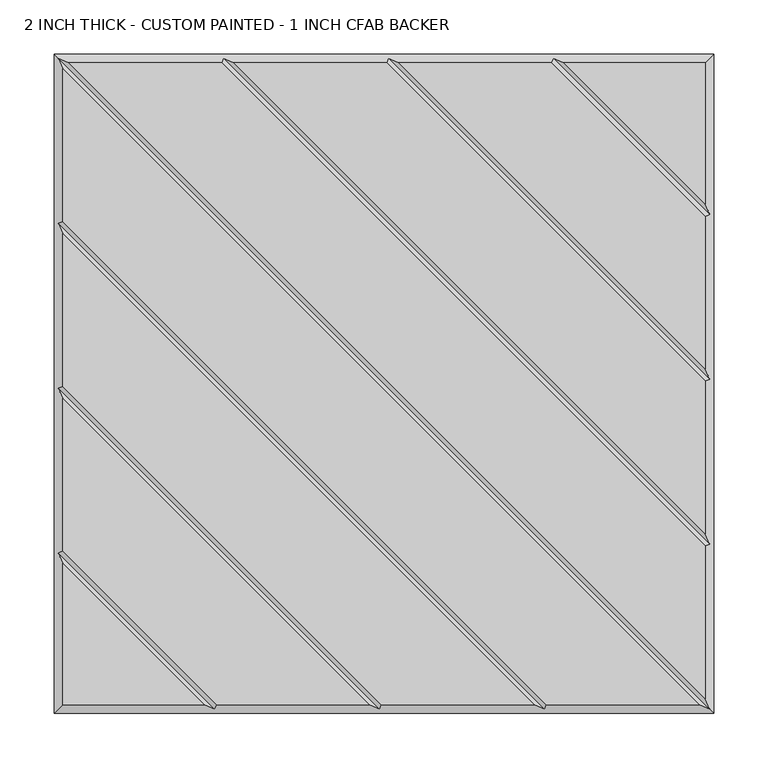
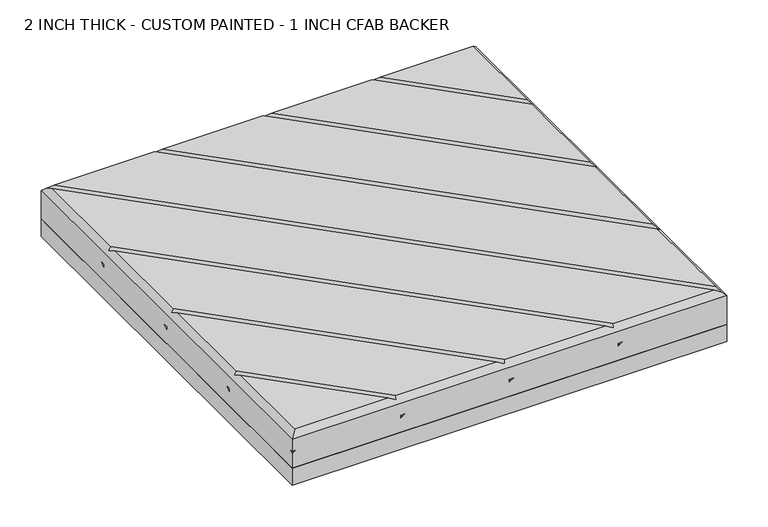
"""IFC4 building model written with IfcOpenShell, lengths in millimetres: proxy geometry, 2 INCH THICK - CUSTOM PAINTED - 1 INCH CFAB BACKER."""

from ifc_helpers import new_model, si_unit, frame, origin, place, context, project, spatial, polyline, outline, extrude, faceted_brep, source, transform, mapped, element, save


def proxy_2_inch_thick_custom_painted_1_inch_cfab_backer_51a6675a(model_context):
    return source(origin(), model_context, "Body", "SolidModel", [
        extrude(outline(polyline([(-304.8, 304.8), (304.8, 304.8), (304.8, -304.8), (-304.8, -304.8), (-304.8, 304.8)])), frame((0.0, 0.0, -25.4), z_axis=(0.0, 0.0, 1.0), x_axis=(1.0, 0.0, 0.0)), (0.0, 0.0, 1.0), 25.4),
        faceted_brep([(296.799, 154.7434623, 50.8), (154.743415, 296.799, 50.8), (13.6585378, 296.799, 50.8), (296.799, 13.658585, 50.8), (296.799, 2.3434632, 50.8), (2.3434141, 296.799, 50.8), (-138.7414628, 296.799, 50.8), (296.799, -138.7414144, 50.8), (296.799, -150.0565365, 50.8), (-150.0565862, 296.799, 50.8), (-291.1414386, 296.799, 50.8), (296.799, -291.1414386, 50.8), (291.1414386, -296.799, 50.8), (-296.799, 291.1414386, 50.8), (-296.799, 150.0565868, 50.8), (150.0565868, -296.799, 50.8), (138.741464, -296.799, 50.8), (-296.799, 138.741464, 50.8), (-296.799, -2.3434137, 50.8), (-2.3434382, -296.799, 50.8), (-13.6585605, -296.799, 50.8), (-296.799, -13.6585369, 50.8), (-296.799, -154.7434305, 50.8), (-154.743904, -296.799, 50.8), (296.799, 296.799, 50.8), (166.0585396, 296.799, 50.8), (296.799, 166.0585831, 50.8), (-296.799, -166.0585721, 50.8), (-296.799, -296.799, 50.8), (-166.0590079, -296.799, 50.8), (-304.8, 304.8, 0.0), (304.8, 304.8, 0.0), (304.8, -304.8, 0.0), (-304.8, -304.8, 0.0), (-304.8, -304.8, 21.3995359), (-304.8, -299.1424894, 25.4), (-304.8, -304.8, 25.4), (-304.8, -304.8, 42.799), (-304.8, 304.8, 42.799), (-304.8, -152.3999238, 21.3996078), (-304.8, -146.7425148, 25.4), (-304.8, -152.3999238, 25.4), (-304.8, 7.62e-05, 21.3996078), (-304.8, 5.6574852, 25.4), (-304.8, 7.62e-05, 25.4), (-304.8, 152.4000762, 21.3996078), (-304.8, 158.0574852, 25.4), (-304.8, 152.4000762, 25.4), (304.8, -304.8, 42.799), (-299.1423878, -304.8, 25.4), (-146.7424132, -304.8, 25.4), (-152.3999577, -304.8, 21.399512), (-152.3999238, -304.8, 25.4), (5.6575868, -304.8, 25.4), (4.23e-05, -304.8, 21.399512), (7.62e-05, -304.8, 25.4), (158.0575868, -304.8, 25.4), (152.4000423, -304.8, 21.399512), (152.4000762, -304.8, 25.4), (304.8, 304.8, 21.3995359), (304.8, 299.1423878, 25.4), (304.8, 304.8, 25.4), (304.8, 304.8, 42.799), (304.8, 152.4000762, 25.4), (304.8, 152.4000762, 21.3995), (304.8, 146.7424132, 25.4), (304.8, 7.62e-05, 25.4), (304.8, 7.62e-05, 21.3995), (304.8, -5.6575868, 25.4), (304.8, -152.3999238, 25.4), (304.8, -152.3999238, 21.3995), (304.8, -158.0575868, 25.4), (299.1424894, 304.8, 25.4), (152.4000762, 304.8, 21.3995), (152.4000762, 304.8, 25.4), (146.7425148, 304.8, 25.4), (7.62e-05, 304.8, 21.3995), (7.62e-05, 304.8, 25.4), (-5.6574852, 304.8, 25.4), (-152.3999238, 304.8, 21.3995), (-152.3999238, 304.8, 25.4), (-158.0574852, 304.8, 25.4), (-300.7995, 300.7995, 46.7995), (-148.399525, 300.7995, 46.7995), (4.0004753, 300.7995, 46.7995), (156.4004759, 300.7995, 46.7995), (-300.7995, -156.4004879, 46.7995), (-300.7995, -4.0004749, 46.7995), (-300.7995, 148.3995254, 46.7995), (300.7995, -300.7995, 46.7995), (148.3995254, -300.7995, 46.7995), (-4.0004997, -300.7995, 46.7995), (-156.4009693, -300.7995, 46.7995), (300.7995, 156.4005241, 46.7995), (300.7995, 4.0005247, 46.7995), (300.7995, -148.399475, 46.7995), (301.9712701, 155.2288061, 25.4), (-155.2287299, -301.9711939, 25.4), (301.9712701, 2.8288061, 25.4), (-2.8287299, -301.9711939, 25.4), (301.9712701, -149.5711939, 25.4), (149.5712701, -301.9711939, 25.4), (155.2288569, 301.9712193, 25.4), (-301.9711431, -155.2287807, 25.4), (2.8288569, 301.9712193, 25.4), (-301.9711431, -2.8287807, 25.4), (-149.5711431, 301.9712193, 25.4), (-301.9711431, 149.5712193, 25.4)], [[[0, 1, 2, 3]], [[4, 5, 6, 7]], [[8, 9, 10, 11]], [[12, 13, 14, 15]], [[16, 17, 18, 19]], [[20, 21, 22, 23]], [[24, 25, 26]], [[27, 28, 29]], [[30, 31, 32, 33]], [[30, 33, 34, 35, 36, 37, 38], [39, 40, 41], [42, 43, 44], [45, 46, 47]], [[33, 32, 48, 37, 36, 49, 34], [50, 51, 52], [53, 54, 55], [56, 57, 58]], [[32, 31, 59, 60, 61, 62, 48], [63, 64, 65], [66, 67, 68], [69, 70, 71]], [[31, 30, 38, 62, 61, 72, 59], [73, 74, 75], [76, 77, 78], [79, 80, 81]], [[24, 62, 38, 82, 10, 9, 83, 6, 5, 84, 2, 1, 85, 25]], [[37, 28, 27, 86, 22, 21, 87, 18, 17, 88, 14, 13, 82, 38]], [[28, 37, 48, 89, 12, 15, 90, 16, 19, 91, 20, 23, 92, 29]], [[62, 24, 26, 93, 0, 3, 94, 4, 7, 95, 8, 11, 89, 48]], [[34, 59, 72, 35]], [[59, 34, 49, 60]], [[64, 96, 97, 51]], [[64, 51, 50, 65]], [[67, 98, 99, 54]], [[67, 54, 53, 68]], [[70, 100, 101, 57]], [[70, 57, 56, 71]], [[102, 73, 39, 103]], [[39, 73, 75, 40]], [[104, 76, 42, 105]], [[42, 76, 78, 43]], [[106, 79, 45, 107]], [[45, 79, 81, 46]], [[93, 85, 1, 0]], [[85, 93, 26, 25]], [[94, 84, 5, 4]], [[84, 94, 3, 2]], [[95, 83, 9, 8]], [[83, 95, 7, 6]], [[82, 89, 11, 10]], [[89, 82, 13, 12]], [[88, 90, 15, 14]], [[90, 88, 17, 16]], [[87, 91, 19, 18]], [[91, 87, 21, 20]], [[86, 92, 23, 22]], [[92, 86, 27, 29]], [[60, 49, 36, 35, 72, 61]], [[96, 64, 63]], [[97, 96, 63, 65, 50, 52]], [[51, 97, 52]], [[98, 67, 66]], [[99, 98, 66, 68, 53, 55]], [[54, 99, 55]], [[100, 70, 69]], [[101, 100, 69, 71, 56, 58]], [[57, 101, 58]], [[73, 102, 74]], [[102, 103, 41, 40, 75, 74]], [[103, 39, 41]], [[76, 104, 77]], [[104, 105, 44, 43, 78, 77]], [[105, 42, 44]], [[79, 106, 80]], [[106, 107, 47, 46, 81, 80]], [[107, 45, 47]]]),
    ])


if __name__ == "__main__":
    model = new_model("IFC4")
    model_context = context("Model", 3, world=origin())
    ifc_project = project(units=[si_unit("LENGTHUNIT", "METRE", prefix="MILLI")], contexts=[model_context])
    site = spatial("IfcSite", under=ifc_project)
    building = spatial("IfcBuilding", under=site)
    placement = place(None, origin())
    proxy_2_inch_thick_custom_painted_1_inch_cfab_backer_shape = proxy_2_inch_thick_custom_painted_1_inch_cfab_backer_51a6675a(model_context)
    element("IfcBuildingElementProxy", 1, Name="2 INCH THICK - CUSTOM PAINTED - 1 INCH CFAB BACKER", ObjectType="2 INCH THICK - CUSTOM PAINTED - 1 INCH CFAB BACKER", at=placement, inside=building, context=model_context, shape_type="MappedRepresentation", body=[
        mapped(proxy_2_inch_thick_custom_painted_1_inch_cfab_backer_shape, transform((0.0, 0.0, 0.0), x_axis=(1.0, 0.0, 0.0), y_axis=(0.0, 1.0, 0.0), z_axis=(0.0, 0.0, 1.0))),
    ])
    save(model, "model.ifc")
